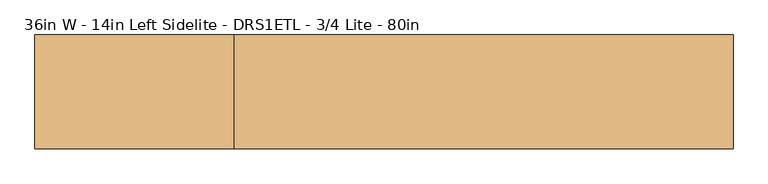
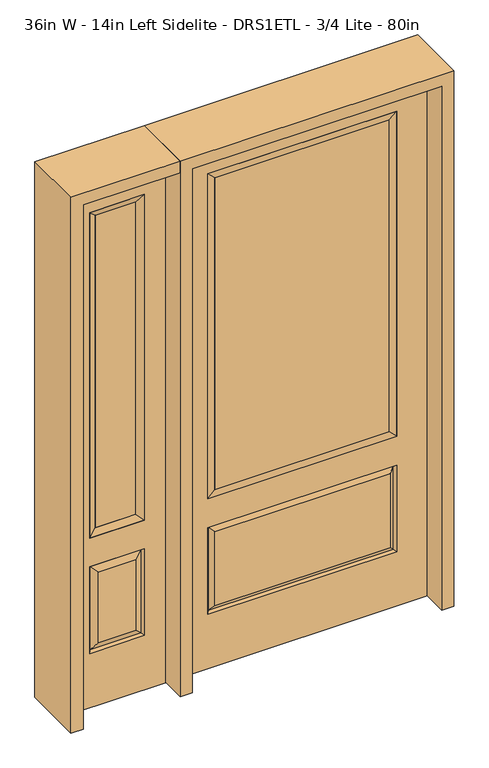
"""IFC4 building model written with IfcOpenShell, lengths in millimetres: door geometry, 36in W - 14in Left Sidelite - DRS1ETL - 3/4 Lite - 80in."""

from ifc_helpers import new_model, si_unit, frame, origin, place, context, project, spatial, polyline, outline, extrude, faceted_brep, source, transform, mapped, element, save


def door_36in_w_14in_left_sidelite_drs1etl_3_4_lite_80in_f22b5cdb(model_context):
    return source(origin(), model_context, "Body", "SolidModel", [
        faceted_brep([(-857.25, -22.225, 0.0), (-501.65, -22.225, 0.0), (-501.65, -22.225, 2032.0), (-857.25, -22.225, 2032.0), (-579.12, -22.225, 1919.224), (-579.12, -22.225, 657.098), (-779.78, -22.225, 657.098), (-779.78, -22.225, 1919.224), (-579.12, -22.225, 209.55), (-779.78, -22.225, 209.55), (-779.78, -22.225, 546.1), (-579.12, -22.225, 546.1), (-748.0648999, -22.225, 241.2651001), (-610.8351001, -22.225, 241.2651001), (-610.8351001, -22.225, 514.3848999), (-748.0648999, -22.225, 514.3848999), (-857.25, 22.225, 0.0), (-857.25, 22.225, 2032.0), (-501.65, 22.225, 2032.0), (-501.65, 22.225, 0.0), (-579.12, 22.225, 1919.224), (-779.78, 22.225, 1919.224), (-779.78, 22.225, 657.098), (-579.12, 22.225, 657.098), (-779.78, 22.225, 209.55), (-579.12, 22.225, 209.55), (-579.12, 22.225, 546.1), (-779.78, 22.225, 546.1), (-610.8351001, 22.225, 241.2651001), (-748.0648999, 22.225, 241.2651001), (-748.0648999, 22.225, 514.3848999), (-610.8351001, 22.225, 514.3848999), (-586.2288501, 12.7912373, 216.6588501), (-772.6711499, 12.7912373, 216.6588501), (-772.6711499, 12.7912373, 538.9911499), (-586.2288501, 12.7912373, 538.9911499), (-772.6711499, -12.7912373, 216.6588501), (-586.2288501, -12.7912373, 216.6588501), (-772.6711499, -12.7912373, 538.9911499), (-586.2288501, -12.7912373, 538.9911499)], [[[0, 1, 2, 3], [4, 5, 6, 7], [8, 9, 10, 11]], [[12, 13, 14, 15]], [[16, 17, 18, 19], [20, 21, 22, 23], [24, 25, 26, 27]], [[28, 29, 30, 31]], [[1, 0, 16, 19]], [[2, 1, 19, 18]], [[3, 2, 18, 17]], [[0, 3, 17, 16]], [[5, 4, 20, 23]], [[6, 5, 23, 22]], [[7, 6, 22, 21]], [[4, 7, 21, 20]], [[32, 33, 29, 28]], [[33, 32, 25, 24]], [[29, 33, 34, 30]], [[33, 24, 27, 34]], [[30, 34, 35, 31]], [[34, 27, 26, 35]], [[32, 28, 31, 35]], [[25, 32, 35, 26]], [[12, 36, 37, 13]], [[37, 36, 9, 8]], [[36, 12, 15, 38]], [[9, 36, 38, 10]], [[38, 15, 14, 39]], [[10, 38, 39, 11]], [[13, 37, 39, 14]], [[37, 8, 11, 39]]]),
        faceted_brep([(-779.78, 22.225, 1919.224), (-779.78, -22.225, 1919.224), (-579.12, -22.225, 1919.224), (-579.12, 22.225, 1919.224), (-754.38, 12.7, 1893.824), (-604.52, 12.7, 1893.824), (-754.38, -12.7, 1893.824), (-604.52, -12.7, 1893.824), (-579.12, -22.225, 657.098), (-579.12, 22.225, 657.098), (-604.52, 12.7, 682.498), (-604.52, -12.7, 682.498), (-779.78, -22.225, 657.098), (-779.78, 22.225, 657.098), (-754.38, 12.7, 682.498), (-754.38, -12.7, 682.498)], [[[0, 1, 2, 3]], [[4, 0, 3, 5]], [[6, 4, 5, 7]], [[1, 6, 7, 2]], [[3, 2, 8, 9]], [[5, 3, 9, 10]], [[7, 5, 10, 11]], [[2, 7, 11, 8]], [[9, 8, 12, 13]], [[10, 9, 13, 14]], [[11, 10, 14, 15]], [[8, 11, 15, 12]], [[13, 12, 1, 0]], [[14, 13, 0, 4]], [[15, 14, 4, 6]], [[12, 15, 6, 1]]]),
        extrude(outline(polyline([(-604.52, -12.7), (-754.38, -12.7), (-754.38, 12.7), (-604.52, 12.7), (-604.52, -12.7)])), frame((0.0, 0.0, 682.498), z_axis=(0.0, 0.0, 1.0), x_axis=(1.0, 0.0, 0.0)), (0.0, 0.0, 1.0), 1211.326),
        faceted_brep([(-338.9661499, -12.7912373, 216.6588501), (338.9661499, -12.7912373, 216.6588501), (321.46875, -22.225, 234.15625), (-321.46875, -22.225, 234.15625), (-346.075, -22.225, 209.55), (346.075, -22.225, 209.55), (-338.9661499, -12.7912373, 538.9911499), (-346.075, -22.225, 546.1), (321.46875, -22.225, 521.49375), (-321.46875, -22.225, 521.49375), (457.2, -22.225, 2032.0), (-457.2, -22.225, 2032.0), (-457.2, -22.225, 0.0), (457.2, -22.225, 0.0), (346.075, -22.225, 546.1), (346.075, -22.225, 1917.7), (346.075, -22.225, 657.098), (-346.075, -22.225, 657.098), (-346.075, -22.225, 1917.7), (338.9661499, -12.7912373, 538.9911499), (-457.2, 22.225, 2032.0), (-457.2, 22.225, 0.0), (457.2, 22.225, 0.0), (457.2, 22.225, 2032.0), (346.075, 22.225, 1917.7), (346.075, 22.225, 657.098), (-346.075, 22.225, 657.098), (-346.075, 22.225, 1917.7), (-346.075, 22.225, 209.55), (346.075, 22.225, 209.55), (346.075, 22.225, 546.1), (-346.075, 22.225, 546.1), (321.46875, 22.225, 234.15625), (-321.46875, 22.225, 234.15625), (-321.46875, 22.225, 521.49375), (321.46875, 22.225, 521.49375), (-338.9661499, 12.7912373, 216.6588501), (338.9661499, 12.7912373, 216.6588501), (338.9661499, 12.7912373, 538.9911499), (-338.9661499, 12.7912373, 538.9911499)], [[[0, 1, 2, 3]], [[1, 0, 4, 5]], [[4, 0, 6, 7]], [[3, 2, 8, 9]], [[10, 11, 12, 13], [5, 4, 7, 14], [15, 16, 17, 18]], [[1, 5, 14, 19]], [[2, 1, 19, 8]], [[0, 3, 9, 6]], [[7, 6, 19, 14]], [[6, 9, 8, 19]], [[12, 11, 20, 21]], [[13, 12, 21, 22]], [[10, 13, 22, 23]], [[16, 15, 24, 25]], [[17, 16, 25, 26]], [[18, 17, 26, 27]], [[23, 22, 21, 20], [28, 29, 30, 31], [24, 27, 26, 25]], [[32, 33, 34, 35]], [[28, 36, 37, 29]], [[29, 37, 38, 30]], [[39, 31, 30, 38]], [[36, 28, 31, 39]], [[37, 36, 33, 32]], [[33, 36, 39, 34]], [[34, 39, 38, 35]], [[37, 32, 35, 38]], [[11, 10, 23, 20]], [[15, 18, 27, 24]]]),
        faceted_brep([(-346.075, -22.225, 1917.7), (-346.075, 22.225, 1917.7), (-346.075, 22.225, 657.098), (-346.075, -22.225, 657.098), (346.075, 22.225, 657.098), (346.075, -22.225, 657.098), (-320.675, 5.08, 682.498), (320.675, 5.08, 682.498), (346.075, 22.225, 1917.7), (346.075, -22.225, 1917.7), (-320.675, -20.32, 682.498), (320.675, -20.32, 682.498), (-320.675, -20.32, 1892.3), (320.675, -20.32, 1892.3), (-320.675, 5.08, 1892.3), (320.675, 5.08, 1892.3)], [[[0, 1, 2, 3]], [[3, 2, 4, 5]], [[2, 6, 7, 4]], [[5, 4, 8, 9]], [[10, 3, 5, 11]], [[12, 0, 3, 10]], [[11, 5, 9, 13]], [[6, 10, 11, 7]], [[14, 12, 10, 6]], [[7, 11, 13, 15]], [[1, 14, 6, 2]], [[4, 7, 15, 8]], [[9, 8, 1, 0]], [[13, 9, 0, 12]], [[15, 13, 12, 14]], [[8, 15, 14, 1]]]),
        extrude(outline(polyline([(320.675, -20.32), (-320.675, -20.32), (-320.675, 5.08), (320.675, 5.08), (320.675, -20.32)])), frame((0.0, 0.0, 682.498), z_axis=(0.0, 0.0, 1.0), x_axis=(1.0, 0.0, 0.0)), (0.0, 0.0, 1.0), 1209.802),
        extrude(outline(polyline([(2032.0, -501.65), (2076.45, -501.65), (2076.45, -901.7), (0.0, -901.7), (0.0, -857.25), (2032.0, -857.25), (2032.0, -501.65)])), frame((0.0, -114.3, 0.0), z_axis=(0.0, 1.0, 0.0), x_axis=(0.0, 0.0, 1.0)), (0.0, 0.0, 1.0), 228.6),
        extrude(outline(polyline([(2076.45, -501.65), (0.0, -501.65), (0.0, -457.2), (2032.0, -457.2), (2032.0, 457.2), (0.0, 457.2), (0.0, 501.65), (2076.45, 501.65), (2076.45, -501.65)])), frame((0.0, -114.3, 0.0), z_axis=(0.0, 1.0, 0.0), x_axis=(0.0, 0.0, 1.0)), (0.0, 0.0, 1.0), 228.6),
    ])


if __name__ == "__main__":
    model = new_model("IFC4")
    model_context = context("Model", 3, world=origin())
    ifc_project = project(units=[si_unit("LENGTHUNIT", "METRE", prefix="MILLI")], contexts=[model_context])
    site = spatial("IfcSite", under=ifc_project)
    building = spatial("IfcBuilding", under=site)
    placement = place(None, origin())
    door_36in_w_14in_left_sidelite_drs1etl_3_4_lite_80in_shape = door_36in_w_14in_left_sidelite_drs1etl_3_4_lite_80in_f22b5cdb(model_context)
    element("IfcDoor", 1, ObjectType="36in W - 14in Left Sidelite - DRS1ETL - 3/4 Lite - 80in", at=placement, inside=building, context=model_context, shape_type="MappedRepresentation", body=[
        mapped(door_36in_w_14in_left_sidelite_drs1etl_3_4_lite_80in_shape, transform((0.0, 0.0, 0.0), x_axis=(1.0, 0.0, 0.0), y_axis=(0.0, 1.0, 0.0), z_axis=(0.0, 0.0, 1.0))),
    ])
    save(model, "model.ifc")
